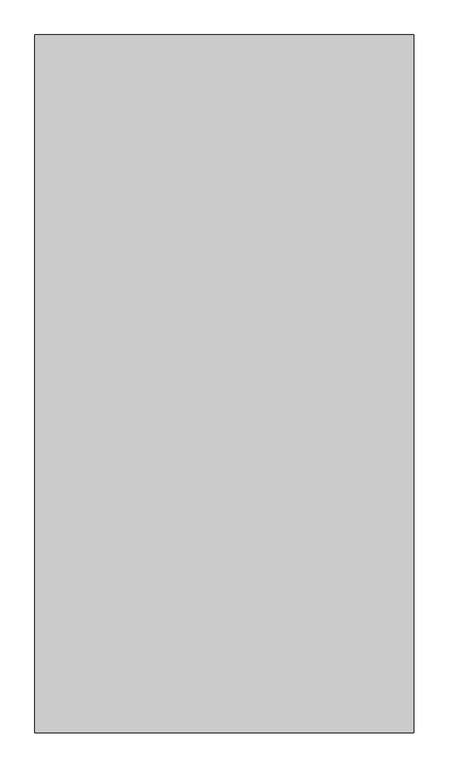
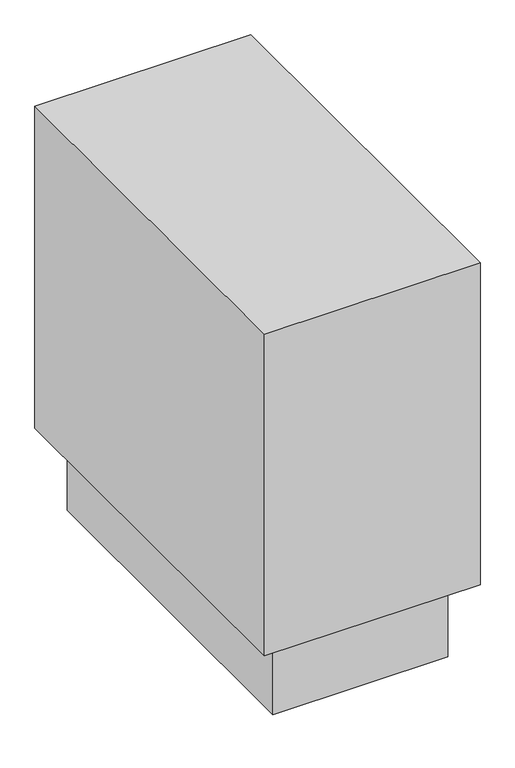
"""IFC4 building model written with IfcOpenShell, lengths in millimetres: proxy geometry."""

from ifc_helpers import new_model, si_unit, frame, origin, origin_with_axes, place, context, project, spatial, polyline, outline, extrude, source, transform, mapped, element, save


def mechanical_equipment_3ec233d2(model_context):
    return source(origin(), model_context, "Body", "SweptSolid", [
        extrude(outline(polyline([(327.1738281, -666.75), (-327.1738281, -666.75), (-327.1738281, 666.75), (327.1738281, 666.75), (327.1738281, -666.75)])), origin_with_axes(), (0.0, 0.0, 1.0), 304.8),
        extrude(outline(polyline([(403.3738281, -742.95), (-403.3738281, -742.95), (-403.3738281, 742.95), (403.3738281, 742.95), (403.3738281, -742.95)])), frame((0.0, 0.0, 304.8), z_axis=(0.0, 0.0, 1.0), x_axis=(1.0, 0.0, 0.0)), (0.0, 0.0, 1.0), 1271.984375),
    ])


if __name__ == "__main__":
    model = new_model("IFC4")
    model_context = context("Model", 3, world=origin())
    ifc_project = project(units=[si_unit("LENGTHUNIT", "METRE", prefix="MILLI")], contexts=[model_context])
    site = spatial("IfcSite", under=ifc_project)
    building = spatial("IfcBuilding", under=site)
    placement = place(None, origin())
    mechanical_equipment_shape = mechanical_equipment_3ec233d2(model_context)
    element("IfcBuildingElementProxy", 1, Name="Mechanical Equipment", at=placement, inside=building, context=model_context, shape_type="MappedRepresentation", body=[
        mapped(mechanical_equipment_shape, transform((0.0, 0.0, 0.0), x_axis=(1.0, 0.0, 0.0), y_axis=(0.0, 1.0, 0.0), z_axis=(0.0, 0.0, 1.0))),
    ])
    save(model, "model.ifc")
